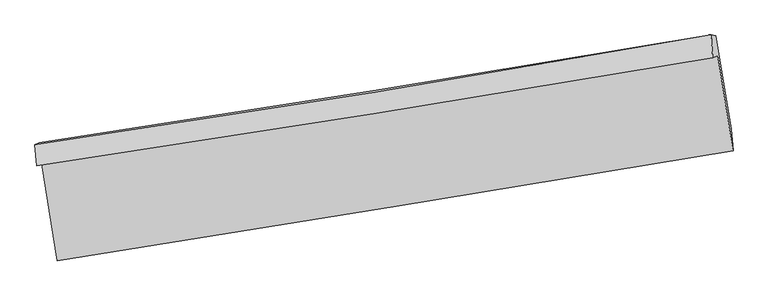
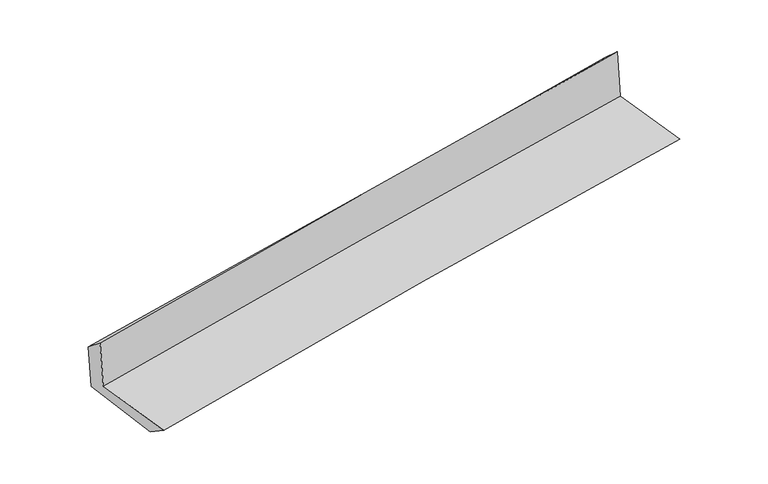
"""IFC4 building model written with IfcOpenShell, lengths in millimetres: proxy geometry."""

from ifc_helpers import new_model, si_unit, frame, origin, place, context, project, spatial, source, transform, mapped, element, save
from ifc_brep_helpers import plane_surface, spline_curve, spline_surface, advanced_brep


def generic_models_ff901be9(model_context):
    return source(origin(), model_context, "Body", "AdvancedBrep", [
        advanced_brep(
        [(-2369.3616287, -1872.4674547, 1672.5083741), (-2261.2780181, -2543.6274163, 1658.8834895), (2419.0260828, -1781.1665344, 2091.1757307), (2313.3610906, -1123.3639926, 2102.6042503), (-2403.9237124, -1886.1184099, 2070.7781528), (2278.0324161, -1137.9636412, 2510.8259757), (-2415.9486106, -1740.3663288, 1949.6314384), (2266.1348617, -979.4890698, 2366.5699121), (-2385.0547508, -1725.2731645, 1588.6428205), (2300.3989975, -984.6857828, 2004.0247755), (-2277.1949422, -2381.7139792, 1552.044202), (2407.4827903, -1633.1296803, 1961.0761399)],
        [
            (0, 1),
            (1, 2, spline_curve(3, [(-2261.2780181, -2543.6274163, 1658.8834895), (-1479.057803398, -2418.963826592, 1748.341862152), (-696.282937597, -2292.820743883, 1829.210707675), (863.827663822, -2038.642483618, 1973.16510944), (1641.154165246, -1910.631939151, 2036.393677296), (2419.0260828, -1781.1665344, 2091.1757307)], [4, 2, 4], [0.0, 7.8444736143145, 15.62336947192005])),
            (2, 3),
            (3, 0, spline_curve(3, [(2313.3610906, -1123.3639926, 2102.6042503), (1535.877359137, -1255.885758724, 2048.72397214), (758.545902145, -1384.32710488, 1986.129681492), (-802.364249162, -1634.097346541, 1842.911930451), (-1585.94036547, -1755.35715436, 1762.140929105), (-2369.3616287, -1872.4674547, 1672.5083741)], [4, 2, 4], [0.0, 7.77889585760555, 15.62336947192005])),
            (4, 0),
            (3, 5),
            (5, 4, spline_curve(3, [(2278.0324161, -1137.9636412, 2510.8259757), (1500.931643655, -1270.011676474, 2451.975910094), (723.855817524, -1398.136767323, 2386.063914181), (-836.796647525, -1647.588111553, 2239.500875805), (-1620.372864266, -1768.847943512, 2158.730263965), (-2403.9237124, -1886.1184099, 2070.7781528)], [4, 2, 4], [0.0, 7.778933145283186, 15.623444361618425])),
            (6, 4),
            (5, 7),
            (7, 6, spline_curve(3, [(2266.1348617, -979.4890698, 2366.5699121), (1490.615510448, -1117.195166807, 2300.29468914), (714.323190677, -1249.212489256, 2232.564177776), (-846.358212343, -1502.934561837, 2093.609326725), (-1630.760383375, -1624.542992383, 2022.360346842), (-2415.9486106, -1740.3663288, 1949.6314384)], [4, 2, 4], [0.0, 7.778732127065812, 15.623040630557089])),
            (8, 6),
            (7, 9),
            (9, 8, spline_curve(3, [(2300.3989975, -984.6857828, 2004.0247755), (1523.836376971, -1111.948703067, 1931.054166235), (746.741729311, -1237.045861296, 1860.09053318), (-815.067178582, -1483.944991279, 1721.595900448), (-1599.790447288, -1605.71029381, 1654.098881856), (-2385.0547508, -1725.2731645, 1588.6428205)], [4, 2, 4], [0.0, 7.778637184264916, 15.622849944567168])),
            (10, 8),
            (9, 11),
            (11, 10, spline_curve(3, [(2407.4827903, -1633.1296803, 1961.0761399), (1629.666658903, -1754.574650898, 1891.820727642), (852.006751529, -1877.41145129, 1823.247225232), (-709.55513756, -2126.915985044, 1686.891700318), (-1493.454474509, -2253.607284472, 1619.121223063), (-2277.1949422, -2381.7139792, 1552.044202)], [4, 2, 4], [0.0, 7.778480234255107, 15.622534721425382])),
            (1, 10),
            (11, 2),
        ],
        [
            spline_surface(3, 3, [[(-2369.3616287, -1872.4674547, 1672.5083741), (-1585.940365339, -1755.357154424, 1762.140929236), (-802.364249178, -1634.09734653, 1842.911930581), (758.545902161, -1384.32710489, 1986.129681363), (1535.877359096, -1255.885758731, 2048.723972108), (2313.3610906, -1123.3639926, 2102.6042503)], [(-2333.333758483, -2096.187441905, 1667.966745889), (-1550.312844632, -1976.559378506, 1757.541240161), (-767.003812034, -1853.671812308, 1838.344856312), (793.63982275, -1602.432231125, 1981.808157373), (1570.969627872, -1474.134485508, 2044.613873875), (2348.582754683, -1342.631506518, 2098.794743783)], [(-2297.305888317, -2319.907429095, 1663.425117711), (-1514.685323977, -2197.761602572, 1752.941551119), (-731.64337487, -2073.246278108, 1833.777782018), (828.73374336, -1820.537357381, 1977.486633356), (1606.061896598, -1692.383212329, 2040.503775593), (2383.804418717, -1561.899020482, 2094.985237217)], [(-2261.2780181, -2543.6274163, 1658.8834895), (-1479.057803269, -2418.963826654, 1748.341862044), (-696.282937726, -2292.820743886, 1829.21070775), (863.82766395, -2038.642483616, 1973.165109366), (1641.154165373, -1910.631939105, 2036.393677361), (2419.0260828, -1781.1665344, 2091.1757307)]], [4, 4], [4, 2, 4], [0.0, 2.1821638720083647], [0.0, 7.8444736143145, 15.62336947192005]),
            spline_surface(3, 3, [[(-2403.9237124, -1886.1184099, 2070.7781528), (-1620.372864258, -1768.847943468, 2158.730264016), (-836.796647617, -1647.588111545, 2239.500875694), (723.855817615, -1398.136767331, 2386.063914291), (1500.931643763, -1270.011676351, 2451.975910217), (2278.0324161, -1137.9636412, 2510.8259757)], [(-2392.403017833, -1881.568091491, 1938.021559911), (-1608.895364618, -1764.351013778, 2026.5338191), (-825.319181464, -1643.091189883, 2107.30456065), (735.419179137, -1393.533546527, 2252.752503309), (1512.58021552, -1265.303037144, 2317.558597499), (2289.808640913, -1133.097091666, 2374.752067219)], [(-2380.882323267, -1877.017773109, 1805.264966989), (-1597.417864979, -1759.854084114, 1894.337374151), (-813.841715331, -1638.594268192, 1975.108245624), (746.982540639, -1388.930325694, 2119.441092345), (1524.228787339, -1260.594397938, 2183.141284826), (2301.584865787, -1128.230542134, 2238.678158781)], [(-2369.3616287, -1872.4674547, 1672.5083741), (-1585.940365339, -1755.357154424, 1762.140929236), (-802.364249178, -1634.09734653, 1842.911930581), (758.545902161, -1384.32710489, 1986.129681363), (1535.877359096, -1255.885758731, 2048.723972108), (2313.3610906, -1123.3639926, 2102.6042503)]], [4, 4], [4, 2, 4], [0.0, 1.312261629921726], [0.0, 7.844511216335239, 15.623444361618425]),
            spline_surface(3, 3, [[(-2415.9486106, -1740.3663288, 1949.6314384), (-1630.760383503, -1624.542992308, 2022.360346948), (-846.358212458, -1502.934561784, 2093.609326753), (714.323190792, -1249.212489308, 2232.564177749), (1490.615510519, -1117.19516685, 2300.294689227), (2266.1348617, -979.4890698, 2366.5699121)], [(-2411.940311208, -1788.950355821, 1990.013676504), (-1627.297877096, -1672.644642682, 2067.816985942), (-843.171024167, -1551.152411691, 2142.239843051), (717.500733076, -1298.853915303, 2283.73075658), (1494.054221616, -1168.134003347, 2350.855096234), (2270.100713183, -1032.313926931, 2414.655266644)], [(-2407.932011792, -1837.534382879, 2030.395914696), (-1623.835370664, -1720.746293094, 2113.273625022), (-839.983835907, -1599.370261638, 2190.870359396), (720.67827533, -1348.495341337, 2334.897335459), (1497.492932665, -1219.072839853, 2401.41550321), (2274.066564617, -1085.138784069, 2462.740621156)], [(-2403.9237124, -1886.1184099, 2070.7781528), (-1620.372864258, -1768.847943468, 2158.730264016), (-836.796647617, -1647.588111545, 2239.500875694), (723.855817615, -1398.136767331, 2386.063914291), (1500.931643763, -1270.011676351, 2451.975910217), (2278.0324161, -1137.9636412, 2510.8259757)]], [4, 4], [4, 2, 4], [0.0, 0.6884452763623125], [0.0, 7.844308503491277, 15.623040630557089]),
            spline_surface(3, 3, [[(-2385.0547508, -1725.2731645, 1588.6428205), (-1599.790447318, -1605.710293726, 1654.098881755), (-815.067178677, -1483.944991376, 1721.59590043), (746.741729405, -1237.045861199, 1860.090533197), (1523.836376877, -1111.948703017, 1931.054166212), (2300.3989975, -984.6857828, 2004.0247755)], [(-2395.352704082, -1730.304219272, 1708.972359803), (-1610.113759395, -1611.987859925, 1776.852703489), (-825.497523271, -1490.274848205, 1845.600375877), (735.935549867, -1241.101403928, 1984.24841472), (1512.762754746, -1113.697524309, 2054.13434054), (2288.977618889, -982.953545148, 2124.873154357)], [(-2405.650657318, -1735.335274028, 1829.301899097), (-1620.437071426, -1618.265426109, 1899.606525214), (-835.927867864, -1496.604704955, 1969.604851306), (725.12937033, -1245.156946579, 2108.406296226), (1501.689132649, -1115.446345558, 2177.214514898), (2277.556240311, -981.221307452, 2245.721533243)], [(-2415.9486106, -1740.3663288, 1949.6314384), (-1630.760383503, -1624.542992308, 2022.360346948), (-846.358212458, -1502.934561784, 2093.609326753), (714.323190792, -1249.212489308, 2232.564177749), (1490.615510519, -1117.19516685, 2300.294689227), (2266.1348617, -979.4890698, 2366.5699121)]], [4, 4], [4, 2, 4], [0.0, 1.2267957774592293], [0.0, 7.844212760302252, 15.622849944567168]),
            spline_surface(3, 3, [[(-2277.1949422, -2381.7139792, 1552.044202), (-1493.45447445, -2253.60728444, 1619.121223193), (-709.555137643, -2126.915985099, 1686.891700241), (852.006751611, -1877.411451236, 1823.247225309), (1629.666659006, -1754.574650921, 1891.820727541), (2407.4827903, -1633.1296803, 1961.0761399)], [(-2313.148211735, -2162.900374325, 1564.243741514), (-1528.899798741, -2037.641620894, 1630.780442728), (-744.725818006, -1912.59232052, 1698.459766987), (816.918410858, -1663.956254553, 1835.528327955), (1594.389898306, -1540.366001616, 1904.898540424), (2371.78819271, -1416.981714462, 1975.392351759)], [(-2349.101481265, -1944.086769375, 1576.443280986), (-1564.345123027, -1821.675957272, 1642.43966222), (-779.896498314, -1698.268655955, 1710.027833684), (781.830070159, -1450.501057883, 1847.809430551), (1559.113137577, -1326.157352323, 1917.976353329), (2336.09359509, -1200.833748638, 1989.708563641)], [(-2385.0547508, -1725.2731645, 1588.6428205), (-1599.790447318, -1605.710293726, 1654.098881755), (-815.067178677, -1483.944991376, 1721.59590043), (746.741729405, -1237.045861199, 1860.090533197), (1523.836376877, -1111.948703017, 1931.054166212), (2300.3989975, -984.6857828, 2004.0247755)]], [4, 4], [4, 2, 4], [0.0, 2.136677221579267], [0.0, 7.844054487170275, 15.622534721425382]),
            spline_surface(3, 3, [[(-2261.2780181, -2543.6274163, 1658.8834895), (-1479.057803269, -2418.963826654, 1748.341862044), (-696.282937726, -2292.820743886, 1829.21070775), (863.82766395, -2038.642483616, 1973.165109366), (1641.154165373, -1910.631939105, 2036.393677361), (2419.0260828, -1781.1665344, 2091.1757307)], [(-2266.58365946, -2489.656270586, 1623.270393678), (-1483.856693656, -2363.844979236, 1705.268315771), (-700.707004357, -2237.519157613, 1781.771038571), (859.887359845, -1984.898806145, 1923.192481337), (1637.324996573, -1858.612843052, 1988.202694093), (2415.178318623, -1731.820916375, 2047.809200439)], [(-2271.88930084, -2435.685124914, 1587.657297822), (-1488.655584064, -2308.726131859, 1662.194769465), (-705.131071012, -2182.217571372, 1734.33136942), (855.947055716, -1931.155128707, 1873.219853337), (1633.495827806, -1806.593746975, 1940.011710809), (2411.330554477, -1682.475298325, 2004.442670161)], [(-2277.1949422, -2381.7139792, 1552.044202), (-1493.45447445, -2253.60728444, 1619.121223193), (-709.555137643, -2126.915985099, 1686.891700241), (852.006751611, -1877.411451236, 1823.247225309), (1629.666659006, -1754.574650921, 1891.820727541), (2407.4827903, -1633.1296803, 1961.0761399)]], [4, 4], [4, 2, 4], [0.0, 0.7207366248444907], [0.0, 7.844019281896045, 15.622464605183847]),
            plane_surface(frame((2330.7393732, -1273.2997835, 2172.7127974), z_axis=(0.9835179864475436, 0.1564097574470533, 0.0907102977038625), x_axis=(-0.09408112574203042, 0.01426893144282657, 0.9954622742096217))),
            plane_surface(frame((-2352.1269438, -2024.9277922, 1748.7480795), z_axis=(-0.9834967994400338, -0.15654080080732433, -0.09071396349962768), x_axis=(-0.15895965348984792, 0.9870817073085719, 0.020038254893635))),
        ],
        [
            (0, [[1, 2, 3, 4]]),
            (1, [[5, -4, 6, 7]]),
            (2, [[8, -7, 9, 10]]),
            (3, [[11, -10, 12, 13]]),
            (4, [[14, -13, 15, 16]]),
            (5, [[17, -16, 18, -2]]),
            (6, [[-12, -9, -6, -3, -18, -15]]),
            (7, [[-1, -5, -8, -11, -14, -17]]),
        ],
    ),
    ])


if __name__ == "__main__":
    model = new_model("IFC4")
    model_context = context("Model", 3, world=origin())
    ifc_project = project(units=[si_unit("LENGTHUNIT", "METRE", prefix="MILLI")], contexts=[model_context])
    site = spatial("IfcSite", under=ifc_project)
    building = spatial("IfcBuilding", under=site)
    placement = place(None, origin())
    generic_models_shape = generic_models_ff901be9(model_context)
    element("IfcBuildingElementProxy", 1, Name="Generic Models", at=placement, inside=building, context=model_context, shape_type="MappedRepresentation", body=[
        mapped(generic_models_shape, transform((0.0, 0.0, 0.0), x_axis=(1.0, 0.0, 0.0), y_axis=(0.0, 1.0, 0.0), z_axis=(0.0, 0.0, 1.0))),
    ])
    save(model, "model.ifc")
